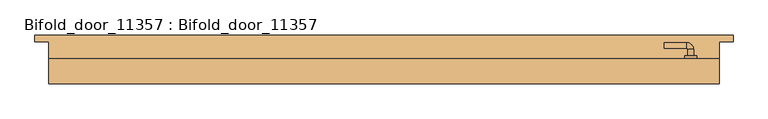
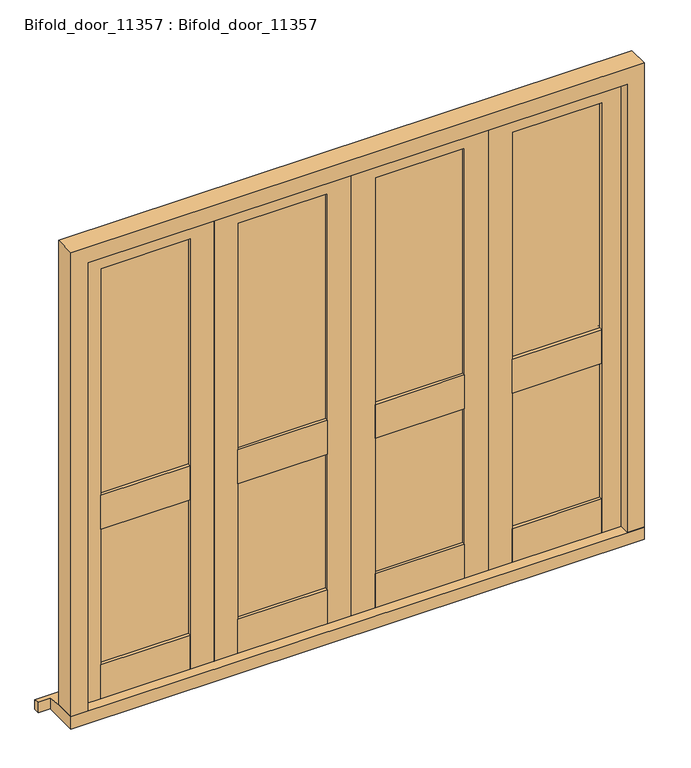
"""IFC4 building model written with IfcOpenShell, lengths in millimetres: door geometry, Bifold_door_11357 : Bifold_door_11357."""

from ifc_helpers import new_model, si_unit, point, frame, frame_2d, origin, place, context, project, spatial, polyline, circle_curve, ellipse_curve, trimmed, segment, composite_curve, outline, extrude, faceted_brep, source, transform, mapped, element, save
from ifc_brep_helpers import plane_surface, cylinder_surface, revolved_surface, advanced_brep


def bifold_door_11357_bifold_door_11357_60b7b5bb(model_context):
    return source(origin(), model_context, "Body", "SolidModel", [
        extrude(outline(polyline([(100.0, 40.0), (474.25, 40.0), (474.25, 26.0), (100.0, 26.0), (100.0, 40.0)])), frame((0.0, 0.0, 804.5), z_axis=(0.0, 0.0, 1.0), x_axis=(1.0, 0.0, 0.0)), (0.0, 0.0, 1.0), 150.0),
        extrude(outline(polyline([(474.25, -4.0), (100.0, -4.0), (100.0, 10.0), (474.25, 10.0), (474.25, -4.0)])), frame((0.0, 0.0, 804.5), z_axis=(0.0, 0.0, 1.0), x_axis=(1.0, 0.0, 0.0)), (0.0, 0.0, 1.0), 150.0),
        extrude(outline(polyline([(474.25, 10.0), (100.0, 10.0), (100.0, 26.0), (474.25, 26.0), (474.25, 10.0)])), frame((0.0, 0.0, 204.5), z_axis=(0.0, 0.0, 1.0), x_axis=(1.0, 0.0, 0.0)), (0.0, 0.0, 1.0), 1754.0),
        extrude(outline(polyline([(100.0, -4.0), (100.0, 40.0), (474.25, 40.0), (474.25, -4.0), (100.0, -4.0)])), frame((0.0, 0.0, 54.5), z_axis=(0.0, 0.0, 1.0), x_axis=(1.0, 0.0, 0.0)), (0.0, 0.0, 1.0), 150.0),
        extrude(outline(polyline([(54.5, 0.0), (54.5, 100.0), (1958.5, 100.0), (1958.5, 474.25), (54.5, 474.25), (54.5, 574.25), (2058.5, 574.25), (2058.5, 0.0), (54.5, 0.0)])), frame((0.0, -4.0, 0.0), z_axis=(0.0, 1.0, 0.0), x_axis=(0.0, 0.0, 1.0)), (0.0, 0.0, 1.0), 44.0),
        extrude(outline(polyline([(-474.25, 40.0), (-100.0, 40.0), (-100.0, 26.0), (-474.25, 26.0), (-474.25, 40.0)])), frame((0.0, 0.0, 804.5), z_axis=(0.0, 0.0, 1.0), x_axis=(1.0, 0.0, 0.0)), (0.0, 0.0, 1.0), 150.0),
        extrude(outline(polyline([(-100.0, -4.0), (-474.25, -4.0), (-474.25, 10.0), (-100.0, 10.0), (-100.0, -4.0)])), frame((0.0, 0.0, 804.5), z_axis=(0.0, 0.0, 1.0), x_axis=(1.0, 0.0, 0.0)), (0.0, 0.0, 1.0), 150.0),
        extrude(outline(polyline([(-100.0, 10.0), (-474.25, 10.0), (-474.25, 26.0), (-100.0, 26.0), (-100.0, 10.0)])), frame((0.0, 0.0, 204.5), z_axis=(0.0, 0.0, 1.0), x_axis=(1.0, 0.0, 0.0)), (0.0, 0.0, 1.0), 1754.0),
        extrude(outline(polyline([(-474.25, -4.0), (-474.25, 40.0), (-100.0, 40.0), (-100.0, -4.0), (-474.25, -4.0)])), frame((0.0, 0.0, 54.5), z_axis=(0.0, 0.0, 1.0), x_axis=(1.0, 0.0, 0.0)), (0.0, 0.0, 1.0), 150.0),
        extrude(outline(polyline([(54.5, -574.25), (54.5, -474.25), (1958.5, -474.25), (1958.5, -100.0), (54.5, -100.0), (54.5, 0.0), (2058.5, 0.0), (2058.5, -574.25), (54.5, -574.25)])), frame((0.0, -4.0, 0.0), z_axis=(0.0, 1.0, 0.0), x_axis=(0.0, 0.0, 1.0)), (0.0, 0.0, 1.0), 44.0),
        extrude(outline(polyline([(674.25, 40.0), (1048.5, 40.0), (1048.5, 26.0), (674.25, 26.0), (674.25, 40.0)])), frame((0.0, 0.0, 804.5), z_axis=(0.0, 0.0, 1.0), x_axis=(1.0, 0.0, 0.0)), (0.0, 0.0, 1.0), 150.0),
        extrude(outline(polyline([(1048.5, -4.0), (674.25, -4.0), (674.25, 10.0), (1048.5, 10.0), (1048.5, -4.0)])), frame((0.0, 0.0, 804.5), z_axis=(0.0, 0.0, 1.0), x_axis=(1.0, 0.0, 0.0)), (0.0, 0.0, 1.0), 150.0),
        extrude(outline(polyline([(1048.5, 10.0), (674.25, 10.0), (674.25, 26.0), (1048.5, 26.0), (1048.5, 10.0)])), frame((0.0, 0.0, 204.5), z_axis=(0.0, 0.0, 1.0), x_axis=(1.0, 0.0, 0.0)), (0.0, 0.0, 1.0), 1754.0),
        extrude(outline(polyline([(674.25, -4.0), (674.25, 40.0), (1048.5, 40.0), (1048.5, -4.0), (674.25, -4.0)])), frame((0.0, 0.0, 54.5), z_axis=(0.0, 0.0, 1.0), x_axis=(1.0, 0.0, 0.0)), (0.0, 0.0, 1.0), 150.0),
        extrude(outline(polyline([(54.5, 574.25), (54.5, 674.25), (1958.5, 674.25), (1958.5, 1048.5), (54.5, 1048.5), (54.5, 1148.5), (2058.5, 1148.5), (2058.5, 574.25), (54.5, 574.25)])), frame((0.0, -4.0, 0.0), z_axis=(0.0, 1.0, 0.0), x_axis=(0.0, 0.0, 1.0)), (0.0, 0.0, 1.0), 44.0),
        extrude(outline(polyline([(-1048.5, 40.0), (-674.25, 40.0), (-674.25, 26.0), (-1048.5, 26.0), (-1048.5, 40.0)])), frame((0.0, 0.0, 804.5), z_axis=(0.0, 0.0, 1.0), x_axis=(1.0, 0.0, 0.0)), (0.0, 0.0, 1.0), 150.0),
        extrude(outline(polyline([(-674.25, -4.0), (-1048.5, -4.0), (-1048.5, 10.0), (-674.25, 10.0), (-674.25, -4.0)])), frame((0.0, 0.0, 804.5), z_axis=(0.0, 0.0, 1.0), x_axis=(1.0, 0.0, 0.0)), (0.0, 0.0, 1.0), 150.0),
        extrude(outline(polyline([(-674.25, 10.0), (-1048.5, 10.0), (-1048.5, 26.0), (-674.25, 26.0), (-674.25, 10.0)])), frame((0.0, 0.0, 204.5), z_axis=(0.0, 0.0, 1.0), x_axis=(1.0, 0.0, 0.0)), (0.0, 0.0, 1.0), 1754.0),
        extrude(outline(polyline([(-1048.5, -4.0), (-1048.5, 40.0), (-674.25, 40.0), (-674.25, -4.0), (-1048.5, -4.0)])), frame((0.0, 0.0, 54.5), z_axis=(0.0, 0.0, 1.0), x_axis=(1.0, 0.0, 0.0)), (0.0, 0.0, 1.0), 150.0),
        extrude(outline(polyline([(54.5, -1148.5), (54.5, -1048.5), (1958.5, -1048.5), (1958.5, -674.25), (54.5, -674.25), (54.5, -574.25), (2058.5, -574.25), (2058.5, -1148.5), (54.5, -1148.5)])), frame((0.0, -4.0, 0.0), z_axis=(0.0, 1.0, 0.0), x_axis=(0.0, 0.0, 1.0)), (0.0, 0.0, 1.0), 44.0),
        advanced_brep(
        [(1108.5, 50.0, 913.5197851), (1088.5, 50.0, 913.5197851), (1108.5, 73.0, 913.5197851), (1088.5, 73.0, 913.5197851), (1083.5, 78.0, 913.5197851), (1083.5, 98.0, 913.5197851), (1003.3501694, 98.0, 913.5197851), (1003.3501694, 78.0, 913.5197851)],
        [
            (0, 1, circle_curve(frame((1098.5, 50.0, 913.5197851), z_axis=(0.0, -1.0, 0.0), x_axis=(-1.0, 0.0, 0.0)), 10.0)),
            (1, 0, circle_curve(frame((1098.5, 50.0, 913.5197851), z_axis=(0.0, -1.0, 0.0), x_axis=(-1.0, 0.0, 0.0)), 10.0)),
            (0, 2),
            (2, 3, circle_curve(frame((1098.5, 73.0, 913.5197851), z_axis=(0.0, -1.0, 0.0), x_axis=(-1.0, 0.0, 0.0)), 10.0)),
            (3, 1),
            (3, 2, circle_curve(frame((1098.5, 73.0, 913.5197851), z_axis=(0.0, -1.0, 0.0), x_axis=(-1.0, 0.0, 0.0)), 10.0)),
            (4, 3, circle_curve(frame((1083.5, 73.0, 913.5197851), z_axis=(0.0, 0.0, -1.0), x_axis=(1.0, 0.0, 0.0)), 5.0)),
            (2, 5, circle_curve(frame((1083.5, 73.0, 913.5197851), z_axis=(0.0, 0.0, 1.0), x_axis=(1.0, 0.0, 0.0)), 25.0)),
            (5, 4, circle_curve(frame((1083.5, 88.0, 913.5197851), z_axis=(1.0, 0.0, 0.0), x_axis=(0.0, -1.0, 0.0)), 10.0)),
            (4, 5, circle_curve(frame((1083.5, 88.0, 913.5197851), z_axis=(1.0, 0.0, 0.0), x_axis=(0.0, -1.0, 0.0)), 10.0)),
            (6, 7, circle_curve(frame((1003.3501694, 88.0, 913.5197851), z_axis=(-1.0, 0.0, 0.0), x_axis=(0.0, -1.0, 0.0)), 10.0)),
            (7, 6, circle_curve(frame((1003.3501694, 88.0, 913.5197851), z_axis=(-1.0, 0.0, 0.0), x_axis=(0.0, -1.0, 0.0)), 10.0)),
            (5, 6),
            (7, 4),
        ],
        [
            plane_surface(frame((1098.5, 50.0, 0.0), z_axis=(0.0, -1.0, 0.0), x_axis=(0.0, 0.0, 1.0))),
            cylinder_surface(frame((1098.5, 50.0, 913.5197851), z_axis=(0.0, -1.0, 0.0), x_axis=(-1.0, 0.0, 0.0)), 10.0),
            revolved_surface(trimmed(ellipse_curve(frame((1098.5, 73.0, 913.5197851), z_axis=(0.0, -1.0, 0.0), x_axis=(-1.0, 0.0, 0.0)), 10.0, 10.0), [point((1108.5, 73.0, 913.5197851))], [point((1088.5, 73.0, 913.5197851))], True, "CARTESIAN"), (1083.5, 73.0, 0.0), (0.0, 0.0, 1.0)),
            revolved_surface(trimmed(ellipse_curve(frame((1098.5, 73.0, 913.5197851), z_axis=(0.0, -1.0, 0.0), x_axis=(-1.0, 0.0, 0.0)), 10.0, 10.0), [point((1088.5, 73.0, 913.5197851))], [point((1108.5, 73.0, 913.5197851))], True, "CARTESIAN"), (1083.5, 73.0, 0.0), (0.0, 0.0, 1.0)),
            plane_surface(frame((1003.3501694, 88.0, 0.0), z_axis=(-1.0, 0.0, 0.0), x_axis=(0.0, 0.0, 1.0))),
            cylinder_surface(frame((1083.5, 88.0, 913.5197851), z_axis=(1.0, 0.0, 0.0), x_axis=(0.0, -1.0, 0.0)), 10.0),
        ],
        [
            (0, [[1, 2]]),
            (1, [[-1, 3, 4, 5]]),
            (1, [[-2, -5, 6, -3]]),
            (2, [[7, -4, 8, 9]]),
            (3, [[-8, -6, -7, 10]]),
            (4, [[11, 12]]),
            (5, [[-9, 13, -12, 14]]),
            (5, [[-10, -14, -11, -13]]),
        ],
    ),
        extrude(outline(composite_curve([segment(polyline([(809.5, 1119.5), (947.5395702, 1119.5)]), True, "CONTINUOUS"), segment(trimmed(circle_curve(frame_2d((932.9481035, 1098.5)), 25.5716817), [point((947.5395702, 1119.5))], [point((947.5395702, 1077.5))], False, "CARTESIAN"), True, "CONTINUOUS"), segment(polyline([(947.5395702, 1077.5), (809.5, 1077.5)]), True, "CONTINUOUS"), segment(trimmed(circle_curve(frame_2d((824.0914668, 1098.5)), 25.5716817), [point((809.5, 1077.5))], [point((809.5, 1119.5))], False, "CARTESIAN"), True, "CONTINUOUS")], self_intersect=False), holes=[composite_curve([segment(polyline([(834.5197851, 1095.5), (844.5197851, 1095.5)]), True, "CONTINUOUS"), segment(trimmed(circle_curve(frame_2d((848.5197851, 1098.5)), 5.0), [point((844.5197851, 1095.5))], [point((844.5197851, 1101.5))], True, "CARTESIAN"), True, "CONTINUOUS"), segment(polyline([(844.5197851, 1101.5), (834.5197851, 1101.5)]), True, "CONTINUOUS"), segment(trimmed(circle_curve(frame_2d((834.7134009, 1098.5)), 3.0062414), [point((834.5197851, 1101.5))], [point((834.5197851, 1095.5))], True, "CARTESIAN"), True, "CONTINUOUS")], self_intersect=False)]), frame((0.0, 40.0, 0.0), z_axis=(0.0, 1.0, 0.0), x_axis=(0.0, 0.0, 1.0)), (0.0, 0.0, 1.0), 10.0),
        faceted_brep([(1250.0, 125.0, 0.0), (1250.0, 125.0, 41.609375), (1250.0, 100.0, 45.4007353), (1250.0, 100.0, 0.0), (-1250.0, 125.0, 41.609375), (-1250.0, 125.0, 0.0), (-1250.0, 100.0, 0.0), (-1250.0, 100.0, 45.4007353), (-1200.0, -49.0, 54.5), (-1200.0, -49.0, 0.0), (1200.0, -49.0, 0.0), (1200.0, -49.0, 54.5), (1200.0, 100.0, 0.0), (-1200.0, 100.0, 0.0), (-1200.0, 100.0, 45.4007353), (-1200.0, 40.0, 54.5), (1200.0, 40.0, 54.5), (1200.0, 100.0, 45.4007353)], [[[0, 1, 2, 3]], [[4, 5, 6, 7]], [[8, 9, 10, 11]], [[5, 0, 3, 12, 10, 9, 13, 6]], [[1, 0, 5, 4]], [[1, 4, 7, 14, 15, 16, 17, 2]], [[15, 8, 11, 16]], [[13, 14, 7, 6]], [[14, 13, 9, 8, 15]], [[12, 17, 16, 11, 10]], [[17, 12, 3, 2]]]),
        faceted_brep([(1200.0, -49.0, 54.5), (1129.5, -49.0, 54.5), (1129.5, -7.0, 54.5), (1151.5, -7.0, 54.5), (1151.5, 40.0, 54.5), (1200.0, 40.0, 54.5), (1200.0, -49.0, 2110.0), (-1200.0, -49.0, 2110.0), (-1200.0, -49.0, 54.5), (-1129.5, -49.0, 54.5), (-1129.5, -49.0, 2039.5), (1129.5, -49.0, 2039.5), (1129.5, -7.0, 2039.5), (-1129.5, -7.0, 2039.5), (-1129.5, -7.0, 54.5), (-1151.5, -7.0, 54.5), (-1151.5, -7.0, 2061.5), (1151.5, -7.0, 2061.5), (1151.5, 40.0, 2061.5), (-1151.5, 40.0, 2061.5), (-1151.5, 40.0, 54.5), (-1200.0, 40.0, 54.5), (-1200.0, 40.0, 2110.0), (1200.0, 40.0, 2110.0)], [[[0, 1, 2, 3, 4, 5]], [[1, 0, 6, 7, 8, 9, 10, 11]], [[2, 1, 11, 12]], [[3, 2, 12, 13, 14, 15, 16, 17]], [[4, 3, 17, 18]], [[5, 4, 18, 19, 20, 21, 22, 23]], [[0, 5, 23, 6]], [[7, 22, 21, 8]], [[8, 21, 20, 15, 14, 9]], [[13, 10, 9, 14]], [[19, 16, 15, 20]], [[12, 11, 10, 13]], [[18, 17, 16, 19]], [[6, 23, 22, 7]]]),
    ])


if __name__ == "__main__":
    model = new_model("IFC4")
    model_context = context("Model", 3, world=origin())
    ifc_project = project(units=[si_unit("LENGTHUNIT", "METRE", prefix="MILLI")], contexts=[model_context])
    site = spatial("IfcSite", under=ifc_project)
    building = spatial("IfcBuilding", under=site)
    placement = place(None, origin())
    bifold_door_11357_bifold_door_11357_shape = bifold_door_11357_bifold_door_11357_60b7b5bb(model_context)
    element("IfcDoor", 1, ObjectType="Bifold_door_11357 : Bifold_door_11357", at=placement, inside=building, context=model_context, shape_type="MappedRepresentation", body=[
        mapped(bifold_door_11357_bifold_door_11357_shape, transform((0.0, 0.0, 0.0), x_axis=(1.0, 0.0, 0.0), y_axis=(0.0, 1.0, 0.0), z_axis=(0.0, 0.0, 1.0))),
    ])
    save(model, "model.ifc")
